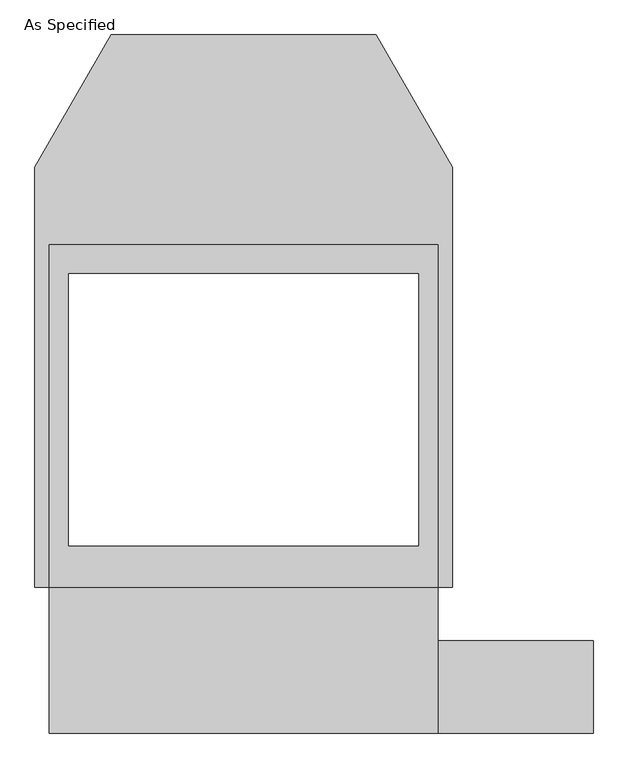
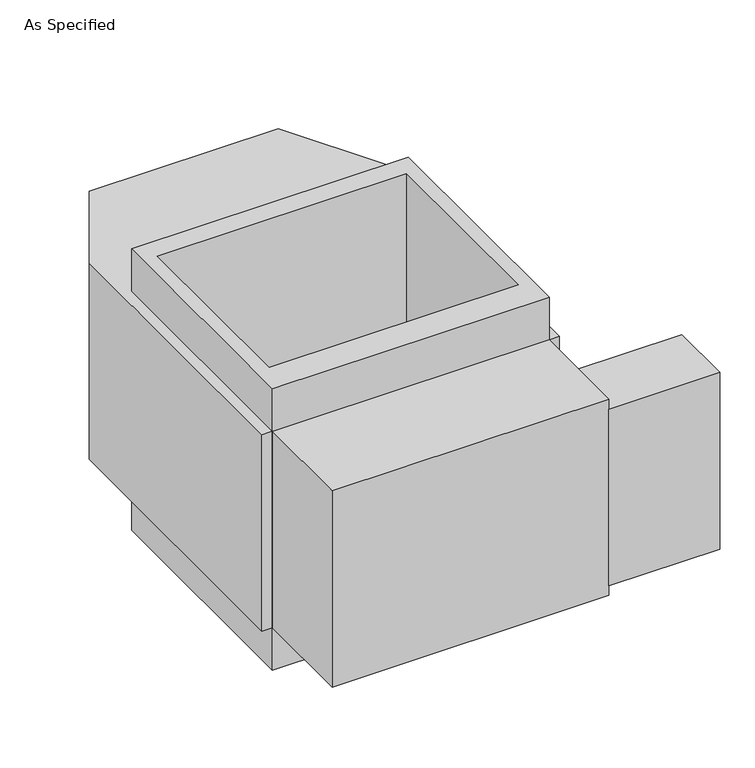
"""IFC4 building model written with IfcOpenShell, lengths in millimetres: proxy geometry, As Specified."""

from ifc_helpers import new_model, si_unit, frame, origin, place, context, project, spatial, polyline, outline, extrude, source, transform, mapped, element, save


def as_specified_ad9f3fe5(model_context):
    return source(origin(), model_context, "Body", "SweptSolid", [
        extrude(outline(polyline([(508.0, -912.5148438), (508.0, -671.2148438), (914.4, -671.2148438), (914.4, -912.5148438), (508.0, -912.5148438)])), frame((0.0, 0.0, -749.3), z_axis=(0.0, 0.0, 1.0), x_axis=(1.0, 0.0, 0.0)), (0.0, 0.0, 1.0), 685.8),
        extrude(outline(polyline([(508.0, 363.8351562), (508.0, -531.5148438), (-508.0, -531.5148438), (-508.0, 363.8351562), (508.0, 363.8351562)]), holes=[polyline([(-457.2, 287.6748437), (-457.2, -423.5251563), (457.2, -423.5251563), (457.2, 287.6748437), (-457.2, 287.6748437)])]), frame((0.0, 0.0, -952.5), z_axis=(0.0, 0.0, 1.0), x_axis=(1.0, 0.0, 0.0)), (0.0, 0.0, 1.0), 1092.2),
        extrude(outline(polyline([(508.0, -912.5148438), (-508.0, -912.5148438), (-508.0, -531.5148438), (-546.1, -531.5148438), (-546.1, 567.0748437), (-346.660123, 912.5148437), (346.660123, 912.5148437), (546.1, 567.0748437), (546.1, -531.5148438), (508.0, -531.5148438), (508.0, -912.5148438)]), holes=[polyline([(457.2, -423.5251563), (457.2, 287.6748437), (-457.2, 287.6748437), (-457.2, -423.5251563), (457.2, -423.5251563)])]), frame((0.0, 0.0, -787.4), z_axis=(0.0, 0.0, 1.0), x_axis=(1.0, 0.0, 0.0)), (0.0, 0.0, 1.0), 762.0),
    ])


if __name__ == "__main__":
    model = new_model("IFC4")
    model_context = context("Model", 3, world=origin())
    ifc_project = project(units=[si_unit("LENGTHUNIT", "METRE", prefix="MILLI")], contexts=[model_context])
    site = spatial("IfcSite", under=ifc_project)
    building = spatial("IfcBuilding", under=site)
    placement = place(None, origin())
    as_specified_shape = as_specified_ad9f3fe5(model_context)
    element("IfcBuildingElementProxy", 1, Name="As Specified", ObjectType="As Specified", at=placement, inside=building, context=model_context, shape_type="MappedRepresentation", body=[
        mapped(as_specified_shape, transform((0.0, 0.0, 0.0), x_axis=(1.0, 0.0, 0.0), y_axis=(0.0, 1.0, 0.0), z_axis=(0.0, 0.0, 1.0))),
    ])
    save(model, "model.ifc")
